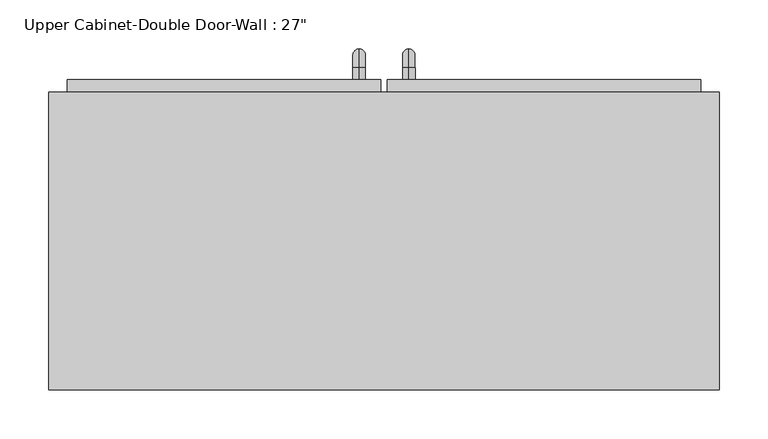
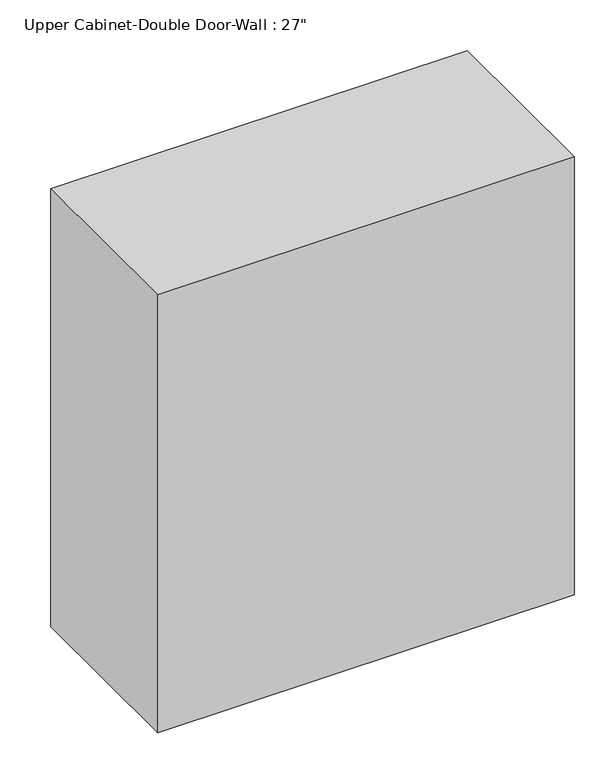
"""IFC4 building model written with IfcOpenShell, lengths in millimetres: furniture geometry."""

import ifcopenshell
import ifcopenshell.guid

model = None  # the IFC model being written
_history = None  # IfcOwnerHistory: only IFC2X3 demands one
_inside = {}  # id of a spatial element -> (the spatial element, [elements in it])
_under = {}  # id of a project, library or spatial element -> (it, [spatial elements below it])
_declared = {}  # id of a project -> (the project, [libraries it declares])
_typed = {}  # id of a type object -> (the type object, [elements of that type])
_made_of = {}  # id of a material, layer set ... -> (it, [elements and type objects made of it])


def new_model(schema):
    """Start an empty IFC model of exactly this schema.

    Asked for "IFC4X3", IfcOpenShell would pick the latest addendum, in which some entities
    have other attributes; the version numbers below select the first issue.
    IFC2X3 requires an IfcOwnerHistory on every rooted entity: one is made here for all.
    """
    global model, _history
    if schema == "IFC4X3":
        model = ifcopenshell.file(schema_version=(4, 3, 0, 0))
    else:
        model = ifcopenshell.file(schema=schema)
    _inside.clear()
    _under.clear()
    _declared.clear()
    _typed.clear()
    _made_of.clear()
    _history = None
    if model.schema == "IFC2X3":
        org = make("IfcOrganization", Name="unknown")
        user = make(
            "IfcPersonAndOrganization",
            ThePerson=make("IfcPerson", FamilyName="unknown"),
            TheOrganization=org,
        )
        app = make(
            "IfcApplication",
            ApplicationDeveloper=org,
            Version="unknown",
            ApplicationFullName="unknown",
            ApplicationIdentifier="unknown",
        )
        _history = make(
            "IfcOwnerHistory",
            OwningUser=user,
            OwningApplication=app,
            ChangeAction="ADDED",
            CreationDate=0,
        )
    return model


def make(cls, **values):
    """One entity of the class cls with the attributes given. An attribute that is None is left unset."""
    return model.create_entity(
        cls, **{name: value for name, value in values.items() if value is not None}
    )


def rooted(cls, **values):
    """An entity with a GlobalId (a new one), such as an element, a storey or a relation."""
    return make(cls, GlobalId=ifcopenshell.guid.new(), OwnerHistory=_history, **values)


def si_unit(unit_type, name, prefix=None):
    """IfcSIUnit, for example si_unit("LENGTHUNIT", "METRE", prefix="MILLI")."""
    return make("IfcSIUnit", UnitType=unit_type, Prefix=prefix, Name=name)


def assignment(units):
    """IfcUnitAssignment: the units of a project."""
    return None if units is None else make("IfcUnitAssignment", Units=units)


def point(xyz):
    """IfcCartesianPoint."""
    return None if xyz is None else make("IfcCartesianPoint", Coordinates=xyz)


def direction(xyz):
    """IfcDirection."""
    return None if xyz is None else make("IfcDirection", DirectionRatios=xyz)


def frame(location, z_axis=None, x_axis=None):
    """IfcAxis2Placement3D, a coordinate frame: its origin and axes. An axis left out is left unset."""
    return make(
        "IfcAxis2Placement3D",
        Location=point(location),
        Axis=direction(z_axis),
        RefDirection=direction(x_axis),
    )


def origin():
    """The frame at (0, 0, 0) with its axes left unset."""
    return frame((0.0, 0.0, 0.0))


def place(relative_to, where):
    """IfcLocalPlacement: puts the frame where relative to a parent placement (None: the world)."""
    return make(
        "IfcLocalPlacement", PlacementRelTo=relative_to, RelativePlacement=where
    )


def context(
    kind, dimensions, precision=None, world=None, true_north=None, identifier=None
):
    """IfcGeometricRepresentationContext, for example the 3D "Model" context."""
    return make(
        "IfcGeometricRepresentationContext",
        ContextIdentifier=identifier,
        ContextType=kind,
        CoordinateSpaceDimension=dimensions,
        Precision=precision,
        WorldCoordinateSystem=world,
        TrueNorth=true_north,
    )


def project(units=None, contexts=None):
    """IfcProject with its units and contexts."""
    return rooted(
        "IfcProject",
        Name="project",
        RepresentationContexts=contexts,
        UnitsInContext=assignment(units),
    )


def spatial(cls, under=None, at=None, **own):
    """A site, building, storey or space (cls), placed at a placement, below another one or the project."""
    s = rooted(cls, ObjectPlacement=at, **own)
    if under is not None:
        _under.setdefault(under.id(), (under, []))[1].append(s)
    return s


def polyline(points):
    """IfcPolyline through the points."""
    return make("IfcPolyline", Points=[point(p) for p in points])


def circle_curve(where, radius):
    """IfcCircle in the frame where."""
    return make("IfcCircle", Position=where, Radius=radius)


def ellipse_curve(where, semi_axis1, semi_axis2):
    """IfcEllipse in the frame where."""
    return make(
        "IfcEllipse", Position=where, SemiAxis1=semi_axis1, SemiAxis2=semi_axis2
    )


def trimmed(basis, trim1, trim2, sense, master):
    """IfcTrimmedCurve: the piece of a basis curve between two trims."""
    return make(
        "IfcTrimmedCurve",
        BasisCurve=basis,
        Trim1=trim1,
        Trim2=trim2,
        SenseAgreement=sense,
        MasterRepresentation=master,
    )


def outline(outer, holes=None, kind="AREA"):
    """IfcArbitraryClosedProfileDef: a profile drawn as a closed curve; with holes, ...WithVoids."""
    if holes is None:
        return make("IfcArbitraryClosedProfileDef", ProfileType=kind, OuterCurve=outer)
    return make(
        "IfcArbitraryProfileDefWithVoids",
        ProfileType=kind,
        OuterCurve=outer,
        InnerCurves=holes,
    )


def extrude(swept, where, along, depth):
    """IfcExtrudedAreaSolid: the profile swept, set in the frame where, extruded along a direction by depth."""
    return make(
        "IfcExtrudedAreaSolid",
        SweptArea=swept,
        Position=where,
        ExtrudedDirection=direction(along),
        Depth=depth,
    )


def faces_of(points, faces, orient=None, outer=None):
    """IfcFace entities. A face is a list of loops; a loop is a list of indices into points, from 0.

    orient and outer hold one flag for each loop. By default every Orientation is true, the
    first loop of a face is its IfcFaceOuterBound and the others are IfcFaceBound.
    """
    made = []
    for i, loops in enumerate(faces):
        bounds = []
        for j, loop in enumerate(loops):
            is_outer = j == 0 if outer is None else outer[i][j]
            bounds.append(
                make(
                    "IfcFaceOuterBound" if is_outer else "IfcFaceBound",
                    Bound=make("IfcPolyLoop", Polygon=[points[k] for k in loop]),
                    Orientation=True if orient is None else orient[i][j],
                )
            )
        made.append(make("IfcFace", Bounds=bounds))
    return made


def faceted_brep(points, faces, orient=None, outer=None, voids=None):
    """IfcFacetedBrep: a solid bounded by flat faces; with voids (closed shells), ...WithVoids."""
    shared = [point(p) for p in points]
    hull = make("IfcClosedShell", CfsFaces=faces_of(shared, faces, orient, outer))
    if voids is None:
        return make("IfcFacetedBrep", Outer=hull)
    return make(
        "IfcFacetedBrepWithVoids",
        Outer=hull,
        Voids=[
            make(cls, CfsFaces=faces_of(shared, fs, o, b)) for cls, fs, o, b in voids
        ],
    )


def shape(context_of_items, identifier, shape_type, items):
    """IfcShapeRepresentation: the items that make up one representation, for example the "Body"."""
    return make(
        "IfcShapeRepresentation",
        ContextOfItems=context_of_items,
        RepresentationIdentifier=identifier,
        RepresentationType=shape_type,
        Items=items,
    )


def source(mapping_origin, context_of_items, identifier, shape_type, items):
    """IfcRepresentationMap: a shape defined once, which mapped items show again and again."""
    return make(
        "IfcRepresentationMap",
        MappingOrigin=mapping_origin,
        MappedRepresentation=shape(context_of_items, identifier, shape_type, items),
    )


def transform(
    local_origin,
    x_axis=None,
    y_axis=None,
    z_axis=None,
    scale=None,
    scale2=None,
    scale3=None,
    uniform=True,
):
    """IfcCartesianTransformationOperator3D, or its non-uniform kind. x_axis, y_axis, z_axis: its Axis1, 2, 3."""
    if uniform:
        return make(
            "IfcCartesianTransformationOperator3D",
            Axis1=direction(x_axis),
            Axis2=direction(y_axis),
            LocalOrigin=point(local_origin),
            Scale=scale,
            Axis3=direction(z_axis),
        )
    return make(
        "IfcCartesianTransformationOperator3DnonUniform",
        Axis1=direction(x_axis),
        Axis2=direction(y_axis),
        LocalOrigin=point(local_origin),
        Scale=scale,
        Axis3=direction(z_axis),
        Scale2=scale2,
        Scale3=scale3,
    )


def mapped(mapping_source, mapping_target):
    """IfcMappedItem: shows the shape of a source again, moved by a transform."""
    return make(
        "IfcMappedItem", MappingSource=mapping_source, MappingTarget=mapping_target
    )


def made_of(thing, what):
    """Note that an element or type object is made of a material, layer set ...; save() writes the relation."""
    if what is not None:
        _made_of.setdefault(what.id(), (what, []))[1].append(thing)
    return thing


def element(
    cls,
    number,
    at=None,
    inside=None,
    cuts=None,
    type_object=None,
    material=None,
    context=None,
    identifier="Body",
    shape_type=None,
    held_by="IfcProductDefinitionShape",
    body=None,
    shapes=None,
    **own,
):
    """One element of the class cls, such as IfcWall. Its Tag is "e" and its number.

    at: its placement. inside: the storey or other place that contains it. cuts: it is an
    opening in that element (IfcRelVoidsElement). A single representation is given by context,
    identifier, shape_type and body (its items); several are given by shapes. held_by: the class
    of the entity that holds the representations. save() writes the other relations.
    """
    e = rooted(cls, Tag="e%d" % number, ObjectPlacement=at, **own)
    if body is not None:
        shapes = [shape(context, identifier, shape_type, body)]
    if shapes is not None:
        e.Representation = make(held_by, Representations=shapes)
    if inside is not None:
        _inside.setdefault(inside.id(), (inside, []))[1].append(e)
    if cuts is not None:
        rooted(
            "IfcRelVoidsElement", RelatingBuildingElement=cuts, RelatedOpeningElement=e
        )
    if type_object is not None:
        _typed.setdefault(type_object.id(), (type_object, []))[1].append(e)
    return made_of(e, material)


def aggregate(whole, parts):
    """IfcRelAggregates: a whole, such as a stair, and the parts it consists of."""
    return rooted("IfcRelAggregates", RelatingObject=whole, RelatedObjects=parts)


def save(model, path):
    """Write the relations noted so far, then the file.

    IfcRelAggregates (storeys below a building ...), IfcRelContainedInSpatialStructure (elements
    in a storey), IfcRelDefinesByType, IfcRelAssociatesMaterial and IfcRelDeclares: one each for
    every whole, place, type object, material and project.
    """
    for whole, parts in _under.values():
        aggregate(whole, parts)
    for where, things in _inside.values():
        rooted(
            "IfcRelContainedInSpatialStructure",
            RelatedElements=things,
            RelatingStructure=where,
        )
    for kind, things in _typed.values():
        rooted("IfcRelDefinesByType", RelatedObjects=things, RelatingType=kind)
    for what, things in _made_of.values():
        rooted("IfcRelAssociatesMaterial", RelatedObjects=things, RelatingMaterial=what)
    for by, libraries in _declared.values():
        rooted("IfcRelDeclares", RelatingContext=by, RelatedDefinitions=libraries)
    model.write(path)


def plane_surface(at):
    """IfcPlane: the flat surface through the origin of the frame at, square to its z axis."""
    return make("IfcPlane", Position=at)


def cylinder_surface(at, radius):
    """IfcCylindricalSurface: all points at the distance radius from the z axis of the frame at."""
    return make("IfcCylindricalSurface", Position=at, Radius=radius)


def revolved_surface(curve, axis_point, axis_direction):
    """IfcSurfaceOfRevolution: the curve turned about the line through axis_point along axis_direction."""
    return make(
        "IfcSurfaceOfRevolution",
        SweptCurve=make("IfcArbitraryOpenProfileDef", ProfileType="CURVE", Curve=curve),
        AxisPosition=make("IfcAxis1Placement", Location=point(axis_point), Axis=direction(axis_direction)),
    )


def advanced_brep(points, edges, surfaces, faces):
    """IfcAdvancedBrep: a solid bounded by faces that lie on surfaces and meet in shared edges.

    An edge is (start, end): straight between two places in points (the first is 0);
    or (start, end, curve); or (start, end, curve, False) where it runs against its curve.
    A face is (place in surfaces, loops), or (place, loops, False) where it looks against
    its surface's normal. A loop lists edges by number (the first is 1), with a minus sign
    where the edge is run from its end to its start. The first loop is the outer one.
    """
    corners = [point(p) for p in points]
    vertices = [make("IfcVertexPoint", VertexGeometry=c) for c in corners]
    made = []
    for start, end, *more in edges:
        made.append(
            make(
                "IfcEdgeCurve",
                EdgeStart=vertices[start],
                EdgeEnd=vertices[end],
                EdgeGeometry=more[0] if more else make("IfcPolyline", Points=[corners[start], corners[end]]),
                SameSense=more[1] if len(more) > 1 else True,
            )
        )
    hull = []
    for where, loops, *sense in faces:
        bounds = []
        for j, loop in enumerate(loops):
            ring = [make("IfcOrientedEdge", EdgeElement=made[abs(k) - 1], Orientation=k > 0) for k in loop]
            bounds.append(
                make(
                    "IfcFaceOuterBound" if j == 0 else "IfcFaceBound",
                    Bound=make("IfcEdgeLoop", EdgeList=ring),
                    Orientation=True,
                )
            )
        hull.append(make("IfcAdvancedFace", Bounds=bounds, FaceSurface=surfaces[where], SameSense=sense[0] if sense else True))
    return make("IfcAdvancedBrep", Outer=make("IfcClosedShell", CfsFaces=hull))


def furniture_d3beba8e(model_context):
    return source(origin(), model_context, "Body", "SolidModel", [
        faceted_brep([(-313.1288372, 69.85, 2133.6), (-313.1288372, 69.85, 1371.6), (372.6711628, 69.85, 1371.6), (372.6711628, 69.85, 2133.6), (-313.1288372, 374.65, 2133.6), (372.6711628, 374.65, 2133.6), (372.6711628, 374.65, 1371.6), (-313.1288372, 374.65, 1371.6), (-294.0788372, 374.65, 2114.55), (-294.0788372, 374.65, 1390.65), (353.6211628, 374.65, 1390.65), (353.6211628, 374.65, 2114.55), (353.6211628, 88.9, 2114.55), (-294.0788372, 88.9, 2114.55), (353.6211628, 88.9, 1390.65), (-294.0788372, 88.9, 1390.65)], [[[0, 1, 2, 3]], [[4, 5, 6, 7], [8, 9, 10, 11]], [[1, 0, 4, 7]], [[2, 1, 7, 6]], [[3, 2, 6, 5]], [[0, 3, 5, 4]], [[8, 11, 12, 13]], [[11, 10, 14, 12]], [[10, 9, 15, 14]], [[9, 8, 13, 15]], [[13, 12, 14, 15]]]),
        advanced_brep(
        [(55.1711628, 387.35, 1517.65), (55.1711628, 387.35, 1530.35), (55.1711628, 400.05, 1517.65), (55.1711628, 400.05, 1530.35), (55.1711628, 419.1, 1511.3), (55.1711628, 406.4, 1511.3), (55.1711628, 406.4, 1435.1), (55.1711628, 419.1, 1435.1), (55.1711628, 400.05, 1416.05), (55.1711628, 400.05, 1428.75), (55.1711628, 387.35, 1428.75), (55.1711628, 387.35, 1416.05)],
        [
            (0, 1, circle_curve(frame((55.1711628, 387.35, 1524.0), z_axis=(0.0, -1.0, 0.0), x_axis=(0.0, 0.0, -1.0)), 6.35)),
            (1, 0, circle_curve(frame((55.1711628, 387.35, 1524.0), z_axis=(0.0, -1.0, 0.0), x_axis=(0.0, 0.0, -1.0)), 6.35)),
            (0, 2),
            (2, 3, circle_curve(frame((55.1711628, 400.05, 1524.0), z_axis=(0.0, -1.0, 0.0), x_axis=(0.0, 0.0, -1.0)), 6.35)),
            (3, 1),
            (3, 2, circle_curve(frame((55.1711628, 400.05, 1524.0), z_axis=(0.0, -1.0, 0.0), x_axis=(0.0, 0.0, -1.0)), 6.35)),
            (4, 3, circle_curve(frame((55.1711628, 400.05, 1511.3), z_axis=(1.0, 0.0, 0.0), x_axis=(0.0, 0.0, 1.0)), 19.05)),
            (2, 5, circle_curve(frame((55.1711628, 400.05, 1511.3), z_axis=(-1.0, 0.0, 0.0), x_axis=(0.0, 0.0, 1.0)), 6.35)),
            (5, 4, circle_curve(frame((55.1711628, 412.75, 1511.3), z_axis=(0.0, 0.0, 1.0), x_axis=(0.0, -1.0, 0.0)), 6.35)),
            (4, 5, circle_curve(frame((55.1711628, 412.75, 1511.3), z_axis=(0.0, 0.0, 1.0), x_axis=(0.0, -1.0, 0.0)), 6.35)),
            (5, 6),
            (6, 7, circle_curve(frame((55.1711628, 412.75, 1435.1), z_axis=(0.0, 0.0, 1.0), x_axis=(0.0, -1.0, 0.0)), 6.35)),
            (7, 4),
            (7, 6, circle_curve(frame((55.1711628, 412.75, 1435.1), z_axis=(0.0, 0.0, 1.0), x_axis=(0.0, -1.0, 0.0)), 6.35)),
            (8, 7, circle_curve(frame((55.1711628, 400.05, 1435.1), z_axis=(1.0, 0.0, 0.0), x_axis=(0.0, 1.0, 0.0)), 19.05)),
            (6, 9, circle_curve(frame((55.1711628, 400.05, 1435.1), z_axis=(-1.0, 0.0, 0.0), x_axis=(0.0, 1.0, 0.0)), 6.35)),
            (9, 8, circle_curve(frame((55.1711628, 400.05, 1422.4), z_axis=(0.0, 1.0, 0.0), x_axis=(0.0, 0.0, 1.0)), 6.35)),
            (8, 9, circle_curve(frame((55.1711628, 400.05, 1422.4), z_axis=(0.0, 1.0, 0.0), x_axis=(0.0, 0.0, 1.0)), 6.35)),
            (10, 11, circle_curve(frame((55.1711628, 387.35, 1422.4), z_axis=(0.0, -1.0, 0.0), x_axis=(0.0, 0.0, 1.0)), 6.35)),
            (11, 10, circle_curve(frame((55.1711628, 387.35, 1422.4), z_axis=(0.0, -1.0, 0.0), x_axis=(0.0, 0.0, 1.0)), 6.35)),
            (9, 10),
            (11, 8),
        ],
        [
            plane_surface(frame((48.8211628, 387.35, 1524.0), z_axis=(0.0, -1.0, 0.0), x_axis=(0.0, 0.0, 1.0))),
            cylinder_surface(frame((55.1711628, 387.35, 1524.0), z_axis=(0.0, -1.0, 0.0), x_axis=(0.0, 0.0, -1.0)), 6.35),
            revolved_surface(trimmed(ellipse_curve(frame((55.1711628, 400.05, 1524.0), z_axis=(0.0, -1.0, 0.0), x_axis=(0.0, 0.0, -1.0)), 6.35, 6.35), [point((55.1711628, 400.05, 1517.65))], [point((55.1711628, 400.05, 1530.35))], True, "CARTESIAN"), (55.1711628, 400.05, 1511.3), (-1.0, 0.0, 0.0)),
            revolved_surface(trimmed(ellipse_curve(frame((55.1711628, 400.05, 1524.0), z_axis=(0.0, -1.0, 0.0), x_axis=(0.0, 0.0, -1.0)), 6.35, 6.35), [point((55.1711628, 400.05, 1530.35))], [point((55.1711628, 400.05, 1517.65))], True, "CARTESIAN"), (55.1711628, 400.05, 1511.3), (-1.0, 0.0, 0.0)),
            cylinder_surface(frame((55.1711628, 412.75, 1511.3), z_axis=(0.0, 0.0, 1.0), x_axis=(0.0, -1.0, 0.0)), 6.35),
            revolved_surface(trimmed(ellipse_curve(frame((55.1711628, 412.75, 1435.1), z_axis=(0.0, 0.0, 1.0), x_axis=(0.0, -1.0, 0.0)), 6.35, 6.35), [point((55.1711628, 406.4, 1435.1))], [point((55.1711628, 419.1, 1435.1))], True, "CARTESIAN"), (55.1711628, 400.05, 1435.1), (-1.0, 0.0, 0.0)),
            revolved_surface(trimmed(ellipse_curve(frame((55.1711628, 412.75, 1435.1), z_axis=(0.0, 0.0, 1.0), x_axis=(0.0, -1.0, 0.0)), 6.35, 6.35), [point((55.1711628, 419.1, 1435.1))], [point((55.1711628, 406.4, 1435.1))], True, "CARTESIAN"), (55.1711628, 400.05, 1435.1), (-1.0, 0.0, 0.0)),
            plane_surface(frame((48.8211628, 387.35, 1422.4), z_axis=(0.0, -1.0, 0.0), x_axis=(0.0, 0.0, -1.0))),
            cylinder_surface(frame((55.1711628, 400.05, 1422.4), z_axis=(0.0, 1.0, 0.0), x_axis=(0.0, 0.0, 1.0)), 6.35),
        ],
        [
            (0, [[1, 2]]),
            (1, [[-1, 3, 4, 5]]),
            (1, [[-2, -5, 6, -3]]),
            (2, [[7, -4, 8, 9]]),
            (3, [[-8, -6, -7, 10]]),
            (4, [[-9, 11, 12, 13]]),
            (4, [[-10, -13, 14, -11]]),
            (5, [[15, -12, 16, 17]]),
            (6, [[-16, -14, -15, 18]]),
            (7, [[19, 20]]),
            (8, [[-17, 21, -20, 22]]),
            (8, [[-18, -22, -19, -21]]),
        ],
    ),
        advanced_brep(
        [(4.3711628, 387.35, 1517.65), (4.3711628, 387.35, 1530.35), (4.3711628, 400.05, 1517.65), (4.3711628, 400.05, 1530.35), (4.3711628, 419.1, 1511.3), (4.3711628, 406.4, 1511.3), (4.3711628, 406.4, 1435.1), (4.3711628, 419.1, 1435.1), (4.3711628, 400.05, 1416.05), (4.3711628, 400.05, 1428.75), (4.3711628, 387.35, 1428.75), (4.3711628, 387.35, 1416.05)],
        [
            (0, 1, circle_curve(frame((4.3711628, 387.35, 1524.0), z_axis=(0.0, -1.0, 0.0), x_axis=(0.0, 0.0, 1.0)), 6.35)),
            (1, 0, circle_curve(frame((4.3711628, 387.35, 1524.0), z_axis=(0.0, -1.0, 0.0), x_axis=(0.0, 0.0, 1.0)), 6.35)),
            (0, 2),
            (2, 3, circle_curve(frame((4.3711628, 400.05, 1524.0), z_axis=(0.0, -1.0, 0.0), x_axis=(0.0, 0.0, 1.0)), 6.35)),
            (3, 1),
            (3, 2, circle_curve(frame((4.3711628, 400.05, 1524.0), z_axis=(0.0, -1.0, 0.0), x_axis=(0.0, 0.0, 1.0)), 6.35)),
            (4, 3, circle_curve(frame((4.3711628, 400.05, 1511.3), z_axis=(1.0, 0.0, 0.0), x_axis=(0.0, 0.0, 1.0)), 19.05)),
            (2, 5, circle_curve(frame((4.3711628, 400.05, 1511.3), z_axis=(-1.0, 0.0, 0.0), x_axis=(0.0, 0.0, 1.0)), 6.35)),
            (5, 4, circle_curve(frame((4.3711628, 412.75, 1511.3), z_axis=(0.0, 0.0, 1.0), x_axis=(0.0, 1.0, 0.0)), 6.35)),
            (4, 5, circle_curve(frame((4.3711628, 412.75, 1511.3), z_axis=(0.0, 0.0, 1.0), x_axis=(0.0, 1.0, 0.0)), 6.35)),
            (5, 6),
            (6, 7, circle_curve(frame((4.3711628, 412.75, 1435.1), z_axis=(0.0, 0.0, 1.0), x_axis=(0.0, 1.0, 0.0)), 6.35)),
            (7, 4),
            (7, 6, circle_curve(frame((4.3711628, 412.75, 1435.1), z_axis=(0.0, 0.0, 1.0), x_axis=(0.0, 1.0, 0.0)), 6.35)),
            (8, 7, circle_curve(frame((4.3711628, 400.05, 1435.1), z_axis=(1.0, 0.0, 0.0), x_axis=(0.0, 1.0, 0.0)), 19.05)),
            (6, 9, circle_curve(frame((4.3711628, 400.05, 1435.1), z_axis=(-1.0, 0.0, 0.0), x_axis=(0.0, 1.0, 0.0)), 6.35)),
            (9, 8, circle_curve(frame((4.3711628, 400.05, 1422.4), z_axis=(0.0, 1.0, 0.0), x_axis=(0.0, 0.0, -1.0)), 6.35)),
            (8, 9, circle_curve(frame((4.3711628, 400.05, 1422.4), z_axis=(0.0, 1.0, 0.0), x_axis=(0.0, 0.0, -1.0)), 6.35)),
            (10, 11, circle_curve(frame((4.3711628, 387.35, 1422.4), z_axis=(0.0, -1.0, 0.0), x_axis=(0.0, 0.0, -1.0)), 6.35)),
            (11, 10, circle_curve(frame((4.3711628, 387.35, 1422.4), z_axis=(0.0, -1.0, 0.0), x_axis=(0.0, 0.0, -1.0)), 6.35)),
            (9, 10),
            (11, 8),
        ],
        [
            plane_surface(frame((-1.9788372, 387.35, 1524.0), z_axis=(0.0, -1.0, 0.0), x_axis=(0.0, 0.0, 1.0))),
            cylinder_surface(frame((4.3711628, 387.35, 1524.0), z_axis=(0.0, -1.0, 0.0), x_axis=(0.0, 0.0, 1.0)), 6.35),
            revolved_surface(trimmed(ellipse_curve(frame((4.3711628, 400.05, 1524.0), z_axis=(0.0, -1.0, 0.0), x_axis=(0.0, 0.0, 1.0)), 6.35, 6.35), [point((4.3711628, 400.05, 1517.65))], [point((4.3711628, 400.05, 1530.35))], True, "CARTESIAN"), (4.3711628, 400.05, 1511.3), (-1.0, 0.0, 0.0)),
            revolved_surface(trimmed(ellipse_curve(frame((4.3711628, 400.05, 1524.0), z_axis=(0.0, -1.0, 0.0), x_axis=(0.0, 0.0, 1.0)), 6.35, 6.35), [point((4.3711628, 400.05, 1530.35))], [point((4.3711628, 400.05, 1517.65))], True, "CARTESIAN"), (4.3711628, 400.05, 1511.3), (-1.0, 0.0, 0.0)),
            cylinder_surface(frame((4.3711628, 412.75, 1511.3), z_axis=(0.0, 0.0, 1.0), x_axis=(0.0, 1.0, 0.0)), 6.35),
            revolved_surface(trimmed(ellipse_curve(frame((4.3711628, 412.75, 1435.1), z_axis=(0.0, 0.0, 1.0), x_axis=(0.0, 1.0, 0.0)), 6.35, 6.35), [point((4.3711628, 406.4, 1435.1))], [point((4.3711628, 419.1, 1435.1))], True, "CARTESIAN"), (4.3711628, 400.05, 1435.1), (-1.0, 0.0, 0.0)),
            revolved_surface(trimmed(ellipse_curve(frame((4.3711628, 412.75, 1435.1), z_axis=(0.0, 0.0, 1.0), x_axis=(0.0, 1.0, 0.0)), 6.35, 6.35), [point((4.3711628, 419.1, 1435.1))], [point((4.3711628, 406.4, 1435.1))], True, "CARTESIAN"), (4.3711628, 400.05, 1435.1), (-1.0, 0.0, 0.0)),
            plane_surface(frame((-1.9788372, 387.35, 1422.4), z_axis=(0.0, -1.0, 0.0), x_axis=(0.0, 0.0, -1.0))),
            cylinder_surface(frame((4.3711628, 400.05, 1422.4), z_axis=(0.0, 1.0, 0.0), x_axis=(0.0, 0.0, -1.0)), 6.35),
        ],
        [
            (0, [[1, 2]]),
            (1, [[-1, 3, 4, 5]]),
            (1, [[-2, -5, 6, -3]]),
            (2, [[7, -4, 8, 9]]),
            (3, [[-8, -6, -7, 10]]),
            (4, [[-9, 11, 12, 13]]),
            (4, [[-10, -13, 14, -11]]),
            (5, [[15, -12, 16, 17]]),
            (6, [[-16, -14, -15, 18]]),
            (7, [[19, 20]]),
            (8, [[-17, 21, -20, 22]]),
            (8, [[-18, -22, -19, -21]]),
        ],
    ),
        extrude(outline(polyline([(32.9461628, 387.35), (353.6211628, 387.35), (353.6211628, 355.6), (32.9461628, 355.6), (32.9461628, 387.35)])), frame((0.0, 0.0, 1390.65), z_axis=(0.0, 0.0, 1.0), x_axis=(1.0, 0.0, 0.0)), (0.0, 0.0, 1.0), 723.9),
        extrude(outline(polyline([(-294.0788372, 387.35), (26.5961628, 387.35), (26.5961628, 355.6), (-294.0788372, 355.6), (-294.0788372, 387.35)])), frame((0.0, 0.0, 1390.65), z_axis=(0.0, 0.0, 1.0), x_axis=(1.0, 0.0, 0.0)), (0.0, 0.0, 1.0), 723.9),
    ])


if __name__ == "__main__":
    model = new_model("IFC4")
    model_context = context("Model", 3, world=origin())
    ifc_project = project(units=[si_unit("LENGTHUNIT", "METRE", prefix="MILLI")], contexts=[model_context])
    site = spatial("IfcSite", under=ifc_project)
    building = spatial("IfcBuilding", under=site)
    placement = place(None, origin())
    furniture_shape = furniture_d3beba8e(model_context)
    element("IfcFurniture", 1, ObjectType="Upper Cabinet-Double Door-Wall : 27\"", at=placement, inside=building, context=model_context, shape_type="MappedRepresentation", body=[
        mapped(furniture_shape, transform((0.0, 0.0, 0.0), x_axis=(1.0, 0.0, 0.0), y_axis=(0.0, 1.0, 0.0), z_axis=(0.0, 0.0, 1.0))),
    ])
    save(model, "model.ifc")
